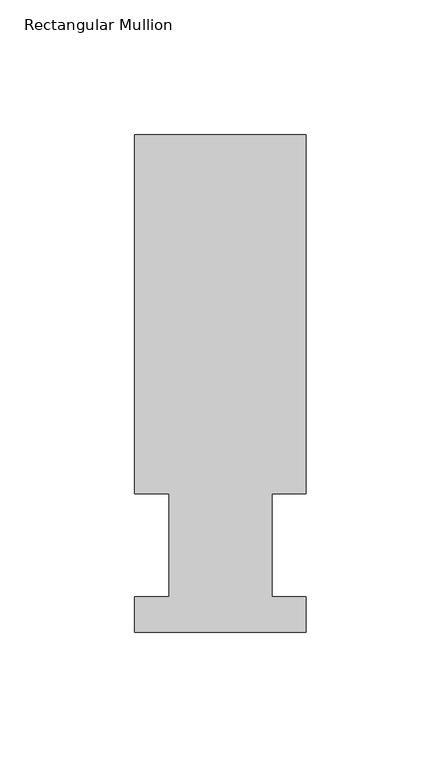
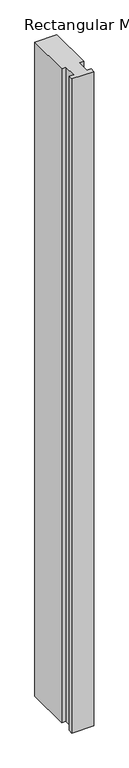
"""IFC4 building model written with IfcOpenShell, lengths in millimetres: member geometry, Rectangular Mullion."""

from ifc_helpers import new_model, si_unit, frame, origin, place, context, project, spatial, polyline, outline, extrude, source, transform, mapped, element, save


def rectangular_mullion_49675731(model_context):
    return source(origin(), model_context, "Body", "SweptSolid", [
        extrude(outline(polyline([(-31.7499996, 184.2396938), (31.75, 184.2396938), (31.75, 51.2960938), (19.0499996, 51.2960938), (19.0499996, 13.1960938), (31.75, 13.1960938), (31.75, 0.0134938), (-31.75, 0.0134938), (-31.75, 13.1960938), (-19.0499996, 13.1960938), (-19.0499996, 51.2960938), (-31.7499996, 51.2960938), (-31.7499996, 184.2396938)])), frame((0.0, 0.0, -1993.9), z_axis=(0.0, 0.0, 1.0), x_axis=(1.0, 0.0, 0.0)), (0.0, 0.0, 1.0), 1993.9),
    ])


if __name__ == "__main__":
    model = new_model("IFC4")
    model_context = context("Model", 3, world=origin())
    ifc_project = project(units=[si_unit("LENGTHUNIT", "METRE", prefix="MILLI")], contexts=[model_context])
    site = spatial("IfcSite", under=ifc_project)
    building = spatial("IfcBuilding", under=site)
    placement = place(None, origin())
    rectangular_mullion_shape = rectangular_mullion_49675731(model_context)
    element("IfcMember", 1, ObjectType="Rectangular Mullion", at=placement, inside=building, context=model_context, shape_type="MappedRepresentation", body=[
        mapped(rectangular_mullion_shape, transform((0.0, 0.0, 0.0), x_axis=(1.0, 0.0, 0.0), y_axis=(0.0, 1.0, 0.0), z_axis=(0.0, 0.0, 1.0))),
    ])
    save(model, "model.ifc")
